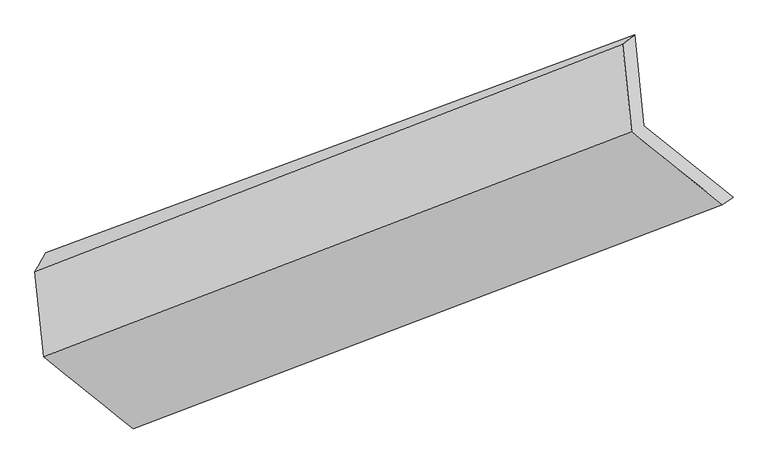
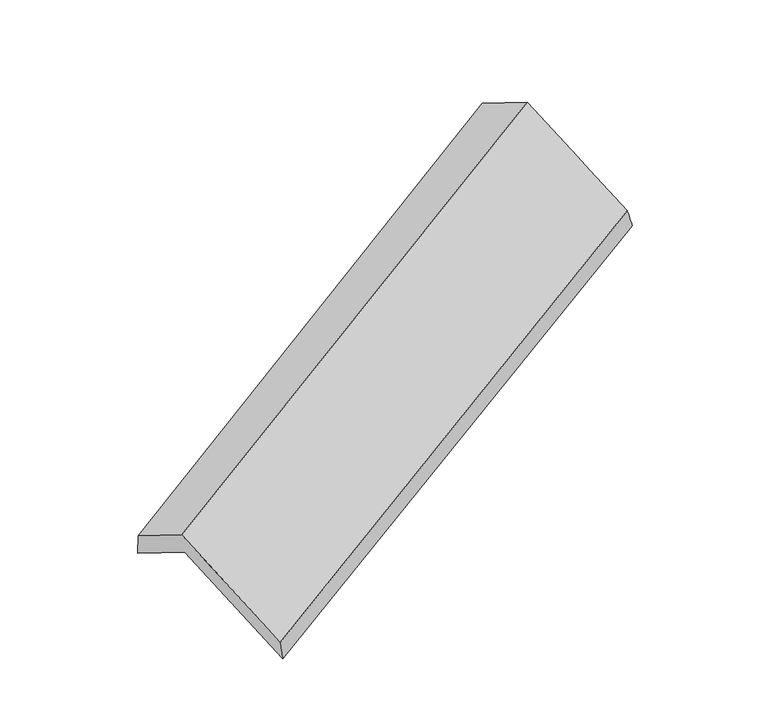
"""IFC4 building model written with IfcOpenShell, lengths in millimetres: proxy geometry."""

from ifc_helpers import new_model, si_unit, frame, origin, place, context, project, spatial, source, transform, mapped, element, save
from ifc_brep_helpers import plane_surface, spline_surface, advanced_brep


def generic_models_51f9f9fa(model_context):
    return source(origin(), model_context, "Body", "AdvancedBrep", [
        advanced_brep(
        [(-4209.0557506, -1973.9486645, 1551.6306085), (-4248.7079843, -1586.0008814, 1323.8431291), (-1731.6817384, -654.875032, 2471.5027678), (-1692.0295047, -1042.8228151, 2699.2902471), (-4295.3870274, -1667.1471254, 1492.054797), (-1782.6219876, -695.227815, 2615.7026624), (-4258.1646009, -2031.3222674, 1705.8839287), (-1744.3561071, -1069.6118568, 2835.5260533), (-3875.5673294, -2338.549707, 1116.040093), (-1356.3758506, -1380.4914535, 2238.5251357), (-3827.9359054, -2279.9897238, 964.0644961), (-1310.3473756, -1348.6558682, 2111.9805129)],
        [
            (0, 1),
            (1, 2),
            (2, 3),
            (3, 0),
            (1, 4),
            (4, 5),
            (5, 2),
            (4, 6),
            (6, 7),
            (7, 5),
            (6, 8),
            (8, 9),
            (9, 7),
            (8, 10),
            (10, 11),
            (11, 9),
            (10, 0),
            (3, 11),
        ],
        [
            plane_surface(frame((-4228.8818675, -1779.974773, 1437.7368688), z_axis=(0.49865518417555105, -0.40042249877156316, -0.7687683849979688), x_axis=(-0.08779950124058021, 0.8590089057940865, -0.5043757997251174))),
            spline_surface(1, 1, [[(-4248.7079843, -1586.0008814, 1323.8431291), (-1731.6817384, -654.875032, 2471.5027678)], [(-4295.3870274, -1667.1471254, 1492.054797), (-1782.6219876, -695.227815, 2615.7026624)]], [2, 2], [2, 2], [0.0, 1.0], [0.0, 1.0]),
            plane_surface(frame((-4276.7758142, -1849.2346964, 1598.9693628), z_axis=(-0.4986551841755546, 0.4004224987715876, 0.7687683849979535), x_axis=(0.08779950124046222, -0.859008905794113, 0.5043757997250925))),
            spline_surface(1, 1, [[(-4258.1646009, -2031.3222674, 1705.8839287), (-1744.3561071, -1069.6118568, 2835.5260533)], [(-3875.5673294, -2338.549707, 1116.040093), (-1356.3758506, -1380.4914535, 2238.5251357)]], [2, 2], [2, 2], [0.0, 1.0], [0.0, 1.0]),
            spline_surface(1, 1, [[(-3875.5673294, -2338.549707, 1116.040093), (-1356.3758506, -1380.4914535, 2238.5251357)], [(-3827.9359054, -2279.9897238, 964.0644961), (-1310.3473756, -1348.6558682, 2111.9805129)]], [2, 2], [2, 2], [0.0, 1.0], [0.0, 1.0]),
            plane_surface(frame((-4018.495828, -2126.9691942, 1257.8475523), z_axis=(-0.08779950124064645, 0.859008905794073, -0.504375799725129), x_axis=(-0.49939069159980476, 0.4001501989791662, 0.7684326615913736))),
            plane_surface(frame((-1602.902094, -1031.9474734, 2495.4212299), z_axis=(0.8619165764303446, 0.3193485838754341, 0.39384806366332276), x_axis=(0.33265292045680067, 0.23007932426560743, -0.9145520975084158))),
            plane_surface(frame((-4119.136433, -1979.4930616, 1358.9195087), z_axis=(-0.8623423072520218, -0.3190070880780244, -0.39319234844950857), x_axis=(0.49865518417555266, -0.400422498771549, -0.768768384997975))),
        ],
        [
            (0, [[1, 2, 3, 4]]),
            (1, [[5, 6, 7, -2]]),
            (2, [[8, 9, 10, -6]]),
            (3, [[11, 12, 13, -9]]),
            (4, [[14, 15, 16, -12]]),
            (5, [[17, -4, 18, -15]]),
            (6, [[-16, -18, -3, -7, -10, -13]]),
            (7, [[-17, -14, -11, -8, -5, -1]]),
        ],
    ),
    ])


if __name__ == "__main__":
    model = new_model("IFC4")
    model_context = context("Model", 3, world=origin())
    ifc_project = project(units=[si_unit("LENGTHUNIT", "METRE", prefix="MILLI")], contexts=[model_context])
    site = spatial("IfcSite", under=ifc_project)
    building = spatial("IfcBuilding", under=site)
    placement = place(None, origin())
    generic_models_shape = generic_models_51f9f9fa(model_context)
    element("IfcBuildingElementProxy", 1, Name="Generic Models", at=placement, inside=building, context=model_context, shape_type="MappedRepresentation", body=[
        mapped(generic_models_shape, transform((0.0, 0.0, 0.0), x_axis=(1.0, 0.0, 0.0), y_axis=(0.0, 1.0, 0.0), z_axis=(0.0, 0.0, 1.0))),
    ])
    save(model, "model.ifc")
